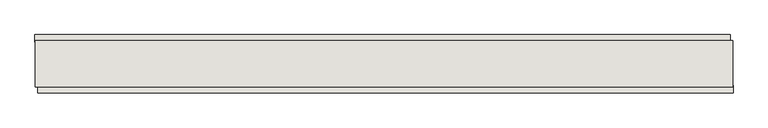
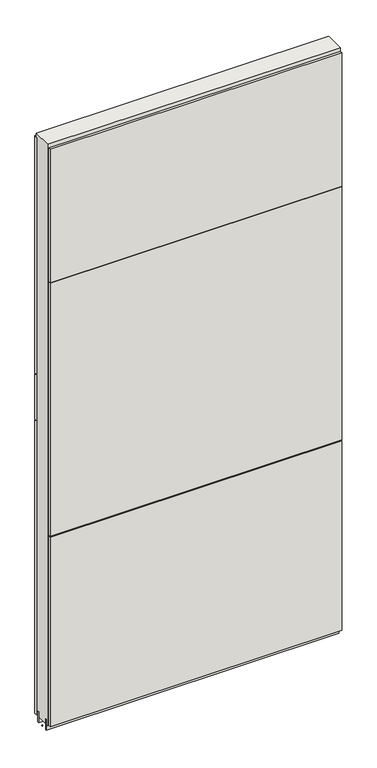
"""IFC4 building model written with IfcOpenShell, lengths in millimetres: wall geometry."""

from ifc_helpers import new_model, si_unit, frame, origin, place, context, project, spatial, polyline, outline, extrude, source, transform, mapped, element, save


def wall_40d0c0d0(model_context):
    return source(origin(), model_context, "Body", "SweptSolid", [
        extrude(outline(polyline([(41663.62, -50694.3276942), (41661.08, -50694.3276942), (41661.08, -50691.7876942), (41663.62, -50691.7876942), (41663.62, -50694.3276942)])), frame((0.0, 0.0, 4419.6), z_axis=(0.0, 0.0, 1.0), x_axis=(1.0, 0.0, 0.0)), (0.0, 0.0, 1.0), 2.54),
        extrude(outline(polyline([(41660.613783, -50642.260793), (42875.813791, -50642.260793), (42875.813791, -50654.960793), (41660.613783, -50654.960793), (41660.613783, -50642.260793)])), frame((0.0, 0.0, 5945.599869), z_axis=(0.0, 0.0, 1.0), x_axis=(1.0, 0.0, 0.0)), (0.0, 0.0, 1.0), 1044.449905),
        extrude(outline(polyline([(41660.613783, -50642.260793), (42875.813791, -50642.260793), (42875.813791, -50654.960793), (41660.613783, -50654.960793), (41660.613783, -50642.260793)])), frame((0.0, 0.0, 5742.3999706), z_axis=(0.0, 0.0, 1.0), x_axis=(1.0, 0.0, 0.0)), (0.0, 0.0, 1.0), 199.2000512),
        extrude(outline(polyline([(41660.613783, -50642.260793), (42875.813791, -50642.260793), (42875.813791, -50654.960793), (41660.613783, -50654.960793), (41660.613783, -50642.260793)])), frame((0.0, 0.0, 4445.0), z_axis=(0.0, 0.0, 1.0), x_axis=(1.0, 0.0, 0.0)), (0.0, 0.0, 1.0), 1293.400004),
        extrude(outline(polyline([(42880.7437278, -50743.860793), (41665.5437198, -50743.860793), (41665.5437198, -50731.160793), (42880.7437278, -50731.160793), (42880.7437278, -50743.860793)])), frame((0.0, 0.0, 6402.8000722), z_axis=(0.0, 0.0, 1.0), x_axis=(1.0, 0.0, 0.0)), (0.0, 0.0, 1.0), 587.2498034),
        extrude(outline(polyline([(42880.7437278, -50743.860793), (41665.5437198, -50743.860793), (41665.5437198, -50731.160793), (42880.7437278, -50731.160793), (42880.7437278, -50743.860793)])), frame((0.0, 0.0, 5285.2000722), z_axis=(0.0, 0.0, 1.0), x_axis=(1.0, 0.0, 0.0)), (0.0, 0.0, 1.0), 1113.5999572),
        extrude(outline(polyline([(42880.7437278, -50743.860793), (41665.5437198, -50743.860793), (41665.5437198, -50731.160793), (42880.7437278, -50731.160793), (42880.7437278, -50743.860793)])), frame((0.0, 0.0, 4445.0), z_axis=(0.0, 0.0, 1.0), x_axis=(1.0, 0.0, 0.0)), (0.0, 0.0, 1.0), 836.200004),
        extrude(outline(polyline([(42880.2787554, -50667.9708508), (41661.0787554, -50667.9708508), (41661.0787554, -50662.8920954), (42880.2787554, -50662.8920954), (42880.2787554, -50667.9708508)])), frame((0.0, 0.0, 4418.6602), z_axis=(0.0, 0.0, 1.0), x_axis=(1.0, 0.0, 0.0)), (0.0, 0.0, 1.0), 47.625),
        extrude(outline(polyline([(42880.2787554, -50667.9708508), (41661.0787554, -50667.9708508), (41661.0787554, -50662.8920954), (42880.2787554, -50662.8920954), (42880.2787554, -50667.9708508)])), frame((0.0, 0.0, 4418.6602), z_axis=(0.0, 0.0, 1.0), x_axis=(1.0, 0.0, 0.0)), (0.0, 0.0, 1.0), 47.625),
        extrude(outline(polyline([(41661.0787554, -50718.1352412), (42880.2787554, -50718.1352412), (42880.2787554, -50723.2170954), (41661.0787554, -50723.2170954), (41661.0787554, -50718.1352412)])), frame((0.0, 0.0, 4418.6602), z_axis=(0.0, 0.0, 1.0), x_axis=(1.0, 0.0, 0.0)), (0.0, 0.0, 1.0), 47.625),
        extrude(outline(polyline([(41661.0787554, -50718.1352412), (42880.2787554, -50718.1352412), (42880.2787554, -50723.2170954), (41661.0787554, -50723.2170954), (41661.0787554, -50718.1352412)])), frame((0.0, 0.0, 4418.6602), z_axis=(0.0, 0.0, 1.0), x_axis=(1.0, 0.0, 0.0)), (0.0, 0.0, 1.0), 47.625),
        extrude(outline(polyline([(42880.2787554, -50652.4245014), (42880.2787554, -50733.706381), (41661.0787554, -50733.706381), (41661.0787554, -50652.4245014), (42880.2787554, -50652.4245014)])), frame((0.0, 0.0, 4445.0), z_axis=(0.0, 0.0, 1.0), x_axis=(1.0, 0.0, 0.0)), (0.0, 0.0, 1.0), 2562.4536762),
    ])


if __name__ == "__main__":
    model = new_model("IFC4")
    model_context = context("Model", 3, world=origin())
    ifc_project = project(units=[si_unit("LENGTHUNIT", "METRE", prefix="MILLI")], contexts=[model_context])
    site = spatial("IfcSite", under=ifc_project)
    building = spatial("IfcBuilding", under=site)
    placement = place(None, origin())
    wall_shape = wall_40d0c0d0(model_context)
    element("IfcWall", 1, at=placement, inside=building, context=model_context, shape_type="MappedRepresentation", body=[
        mapped(wall_shape, transform((0.0, 0.0, 0.0), x_axis=(1.0, 0.0, 0.0), y_axis=(0.0, 1.0, 0.0), z_axis=(0.0, 0.0, 1.0))),
    ])
    save(model, "model.ifc")
